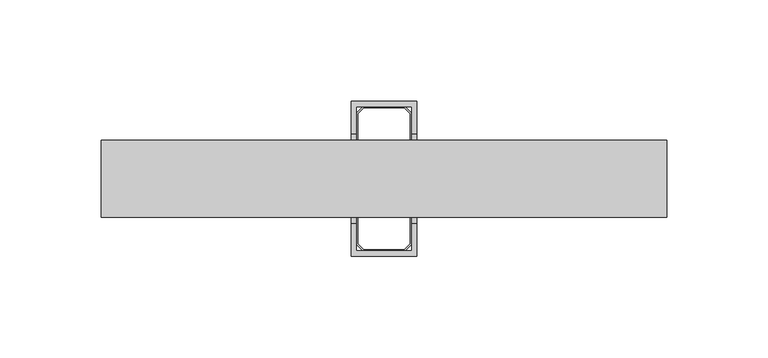
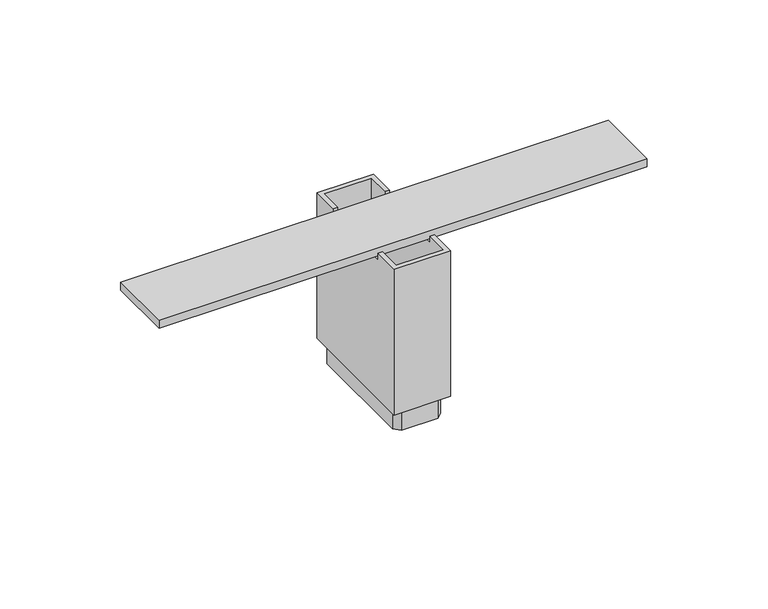
"""IFC4 building model written with IfcOpenShell, lengths in millimetres: furniture geometry."""

from ifc_helpers import new_model, si_unit, frame, origin, origin_with_axes, place, context, project, spatial, polyline, outline, extrude, faceted_brep, source, transform, mapped, element, save


def furniture_b5c663d0(model_context):
    return source(origin(), model_context, "Body", "SolidModel", [
        extrude(outline(polyline([(139.2388035, -20.2520587), (139.2388035, -58.3520587), (-139.2848963, -58.3520587), (-139.2848963, -20.2520587), (139.2388035, -20.2520587)])), frame((0.0, 0.0, 96.5962), z_axis=(0.0, 0.0, 1.0), x_axis=(1.0, 0.0, 0.0)), (0.0, 0.0, 1.0), 4.7498),
        faceted_brep([(16.1123037, -1.2020587, 100.5586), (-16.1456963, -1.2020587, 100.5586), (-16.1456963, -17.0770587, 100.5586), (-13.6056963, -17.0770587, 100.5586), (-13.6056963, -3.7420587, 100.5586), (13.5723037, -3.7420587, 100.5586), (13.5723037, -17.0770587, 100.5586), (16.1123037, -17.0770587, 100.5586), (-16.1456963, -77.4020587, 100.5586), (16.1123037, -77.4020587, 100.5586), (16.1123037, -61.5270587, 100.5586), (13.5723037, -61.5270587, 100.5586), (13.5723037, -74.8620587, 100.5586), (-13.6056963, -74.8620587, 100.5586), (-13.6056963, -61.5270587, 100.5586), (-16.1456963, -61.5270587, 100.5586), (16.1123037, -1.2020587, 12.7), (16.1123037, -77.4020587, 12.7), (-16.1456963, -77.4020587, 12.7), (-16.1456963, -1.2020587, 12.7), (13.5723037, -3.7420587, 12.7), (-13.6056963, -3.7420587, 12.7), (-13.6056963, -74.8620587, 12.7), (13.5723037, -74.8620587, 12.7), (-16.1456963, -61.5270587, 96.5962), (-16.1456963, -17.0770587, 96.5962), (16.1123037, -17.0770587, 96.5962), (16.1123037, -61.5270587, 96.5962), (13.5723037, -61.5270587, 96.5962), (13.5723037, -17.0770587, 96.5962), (-13.6056963, -17.0770587, 96.5962), (-13.6056963, -61.5270587, 96.5962)], [[[0, 1, 2, 3, 4, 5, 6, 7]], [[8, 9, 10, 11, 12, 13, 14, 15]], [[16, 17, 18, 19], [20, 21, 22, 23]], [[1, 0, 16, 19]], [[19, 18, 8, 15, 24, 25, 2, 1]], [[9, 8, 18, 17]], [[17, 16, 0, 7, 26, 27, 10, 9]], [[20, 23, 12, 11, 28, 29, 6, 5]], [[13, 12, 23, 22]], [[22, 21, 4, 3, 30, 31, 14, 13]], [[5, 4, 21, 20]], [[26, 29, 28, 27]], [[30, 25, 24, 31]], [[29, 26, 7, 6]], [[25, 30, 3, 2]], [[27, 28, 11, 10]], [[31, 24, 15, 14]]]),
        extrude(outline(polyline([(10.3973037, -3.7420587), (13.5723037, -6.9170587), (13.5723037, -71.6870587), (10.3973037, -74.8620587), (-10.4306963, -74.8620587), (-13.6056963, -71.6870587), (-13.6056963, -6.9170587), (-10.4306963, -3.7420587), (10.3973037, -3.7420587)]), holes=[polyline([(12.7785537, -7.2458408), (10.0685217, -4.5358087), (-10.1019142, -4.5358087), (-12.8119463, -7.2458408), (-12.8119463, -71.3582767), (-10.1019142, -74.0683087), (10.0685217, -74.0683087), (12.7785537, -71.3582767), (12.7785537, -7.2458408)])]), origin_with_axes(), (0.0, 0.0, 1.0), 12.7),
    ])


if __name__ == "__main__":
    model = new_model("IFC4")
    model_context = context("Model", 3, world=origin())
    ifc_project = project(units=[si_unit("LENGTHUNIT", "METRE", prefix="MILLI")], contexts=[model_context])
    site = spatial("IfcSite", under=ifc_project)
    building = spatial("IfcBuilding", under=site)
    placement = place(None, origin())
    furniture_shape = furniture_b5c663d0(model_context)
    element("IfcFurniture", 1, at=placement, inside=building, context=model_context, shape_type="MappedRepresentation", body=[
        mapped(furniture_shape, transform((0.0, 0.0, 0.0), x_axis=(1.0, 0.0, 0.0), y_axis=(0.0, 1.0, 0.0), z_axis=(0.0, 0.0, 1.0))),
    ])
    save(model, "model.ifc")
